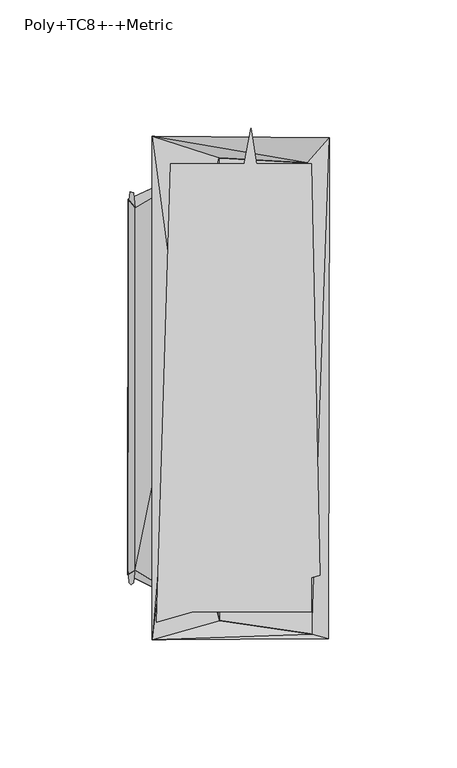
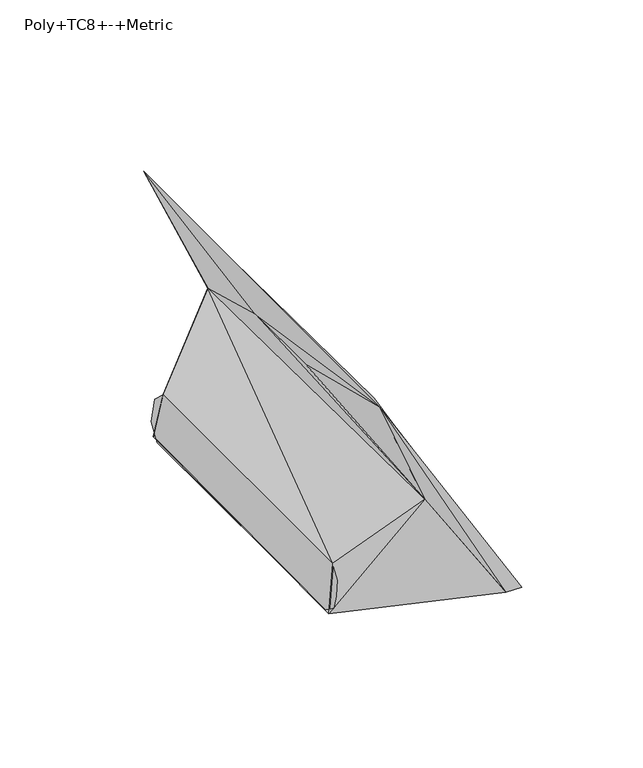
"""IFC4 building model written with IfcOpenShell, lengths in millimetres: furniture geometry, Poly+TC8+-+Metric."""

from ifc_helpers import new_model, si_unit, origin, place, context, project, spatial, triangles, source, transform, mapped, element, save


def poly_tc8_metric_81988159(model_context):
    return source(origin(), model_context, "Body", "Tessellation", [
        triangles([(-35.4782124, -62.4952769, 0.6042823), (31.1709103, 62.504724, 0.7066248), (31.170908, -62.4952769, 0.9735627), (-35.4782055, 62.5047331, 0.828094), (-28.3274565, -91.5296784, 119.6851455), (32.2531912, 87.5047333, 15.4990369), (-22.815243, 87.5047151, 110.2104059), (35.4406987, -73.1569808, 10.0167941), (8.5898991, 101.5022437, 56.1947849), (-3.6364534, -90.9370365, 59.2587194), (-36.6948759, -71.2521234, 26.3320183), (-39.58755, -72.9886726, 2.6758263), (-3.8618333, 89.7840727, 57.3339141), (-39.4418694, 73.7063659, 3.8671695), (-36.6643523, 70.3865013, 26.5816351), (32.3420325, -96.1908128, 2.3848597), (30.7243101, 87.880755, 3.623469), (-19.8632997, 22.5874476, 90.2662835), (-20.8711166, -21.0683724, 91.9994535), (-30.0600611, 98.2106841, 120.9325076), (-30.0589347, -98.5418231, 120.3275209), (38.9447159, -98.0781431, 3.9502829), (39.1576344, 97.6260178, 3.5352584), (-36.6842593, 70.2701884, 26.418843), (-36.6842661, -70.2607504, 26.418818), (-39.5495799, -70.3113242, 2.9863897), (-37.3714721, -76.1778039, 20.7989053), (-39.0379515, -76.2314389, 7.1704449), (-38.2642523, -77.0272933, 13.4977692), (32.2530413, -87.4952862, 15.4989234), (-22.8174095, -87.4952953, 110.209116), (-37.371463, 76.18726, 20.7989349), (-39.5495754, 70.3207713, 2.9864047), (-38.7543523, 76.5326014, 9.4896818)], [[1, 2, 3], [2, 1, 4], [5, 6, 7], [8, 5, 9], [8, 6, 5], [10, 11, 12], [13, 14, 15], [10, 12, 16], [13, 17, 14], [18, 13, 10], [18, 10, 19], [20, 17, 13], [20, 18, 21], [18, 20, 13], [21, 18, 19], [21, 19, 10], [21, 10, 16], [13, 10, 17], [17, 10, 16], [13, 11, 10], [11, 13, 15], [16, 12, 17], [17, 12, 14], [16, 22, 21], [16, 23, 22], [23, 16, 17], [23, 17, 20], [24, 25, 26], [25, 27, 26], [27, 28, 26], [27, 29, 28], [7, 6, 30], [30, 31, 7], [32, 33, 34], [32, 24, 33], [24, 26, 33]], closed=False),
        triangles([(-22.815243, 87.5047151, 110.2104059), (32.2530413, -87.4952862, 15.4989234), (32.2531912, 87.5047333, 15.4990369), (-22.8174095, -87.4952953, 110.209116)], [[1, 2, 3], [2, 1, 4]], closed=False),
        triangles([(-36.6855628, -42.1764863, 26.4082037), (-39.536463, 70.3770224, 3.0935546), (-39.5430624, -70.3778717, 3.0396347)], [[1, 2, 3]], closed=False),
        triangles([(-28.3274565, -91.5296784, 119.6851455), (-22.815243, 87.5047151, 110.2104059), (32.2531912, 87.5047333, 15.4990369), (35.4406987, -73.1569808, 10.0167941), (8.5898991, 101.5022437, 56.1947849)], [[1, 2, 3], [4, 5, 1], [4, 1, 3]], closed=False),
    ])


if __name__ == "__main__":
    model = new_model("IFC4")
    model_context = context("Model", 3, world=origin())
    ifc_project = project(units=[si_unit("LENGTHUNIT", "METRE", prefix="MILLI")], contexts=[model_context])
    site = spatial("IfcSite", under=ifc_project)
    building = spatial("IfcBuilding", under=site)
    placement = place(None, origin())
    poly_tc8_metric_shape = poly_tc8_metric_81988159(model_context)
    element("IfcFurniture", 1, ObjectType="Poly+TC8+-+Metric", at=placement, inside=building, context=model_context, shape_type="MappedRepresentation", body=[
        mapped(poly_tc8_metric_shape, transform((0.0, 0.0, 0.0), x_axis=(1.0, 0.0, 0.0), y_axis=(0.0, 1.0, 0.0), z_axis=(0.0, 0.0, 1.0))),
    ])
    save(model, "model.ifc")
